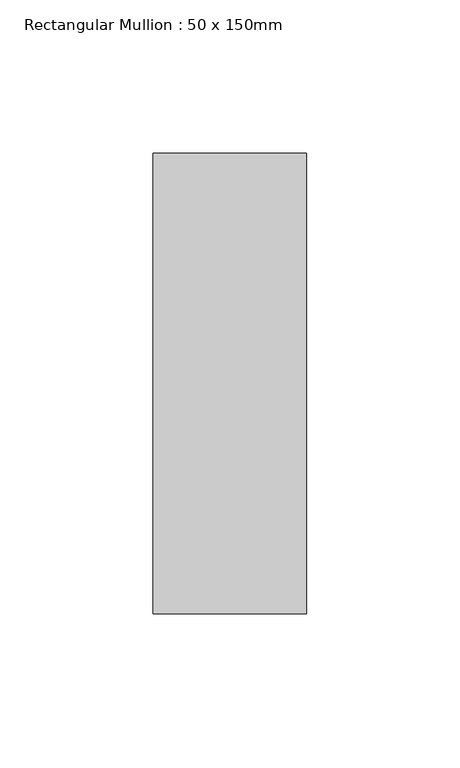
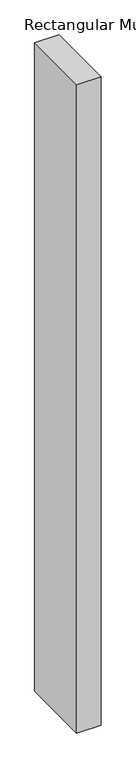
"""IFC4 building model written with IfcOpenShell, lengths in millimetres: member geometry, Rectangular Mullion : 50 x 150mm."""

from ifc_helpers import new_model, si_unit, frame, origin, place, context, project, spatial, polyline, outline, extrude, source, transform, mapped, element, save


def rectangular_mullion_50_x_150mm_a46140b9(model_context):
    return source(origin(), model_context, "Body", "SweptSolid", [
        extrude(outline(polyline([(0.0, 75.0), (0.0, -75.0), (-50.0, -75.0), (-50.0, 75.0), (0.0, 75.0)])), frame((0.0, 0.0, -1414.0003106), z_axis=(0.0, 0.0, 1.0), x_axis=(1.0, 0.0, 0.0)), (0.0, 0.0, 1.0), 1414.0003106),
    ])


if __name__ == "__main__":
    model = new_model("IFC4")
    model_context = context("Model", 3, world=origin())
    ifc_project = project(units=[si_unit("LENGTHUNIT", "METRE", prefix="MILLI")], contexts=[model_context])
    site = spatial("IfcSite", under=ifc_project)
    building = spatial("IfcBuilding", under=site)
    placement = place(None, origin())
    rectangular_mullion_50_x_150mm_shape = rectangular_mullion_50_x_150mm_a46140b9(model_context)
    element("IfcMember", 1, ObjectType="Rectangular Mullion : 50 x 150mm", at=placement, inside=building, context=model_context, shape_type="MappedRepresentation", body=[
        mapped(rectangular_mullion_50_x_150mm_shape, transform((0.0, 0.0, 0.0), x_axis=(1.0, 0.0, 0.0), y_axis=(0.0, 1.0, 0.0), z_axis=(0.0, 0.0, 1.0))),
    ])
    save(model, "model.ifc")
